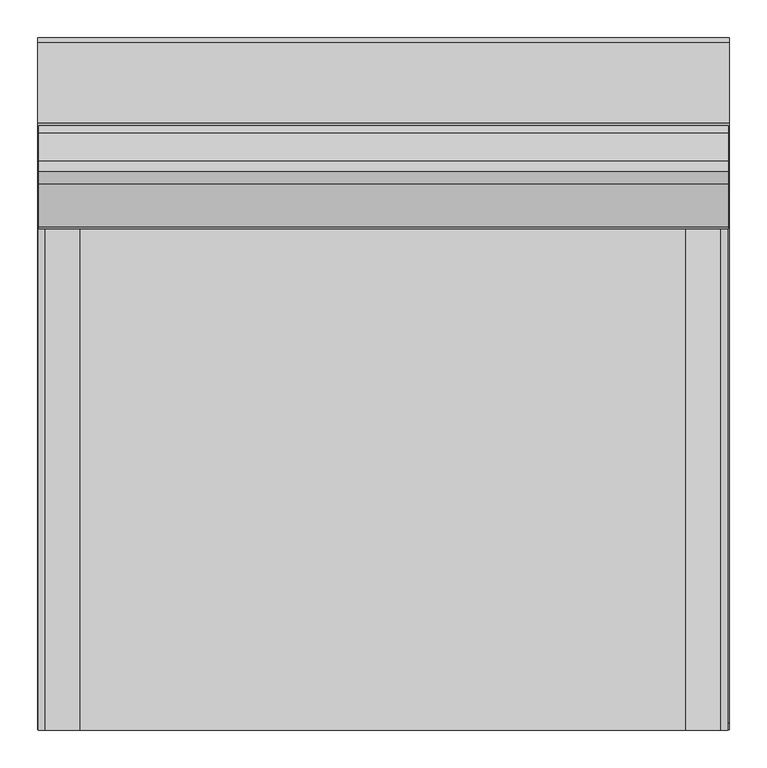
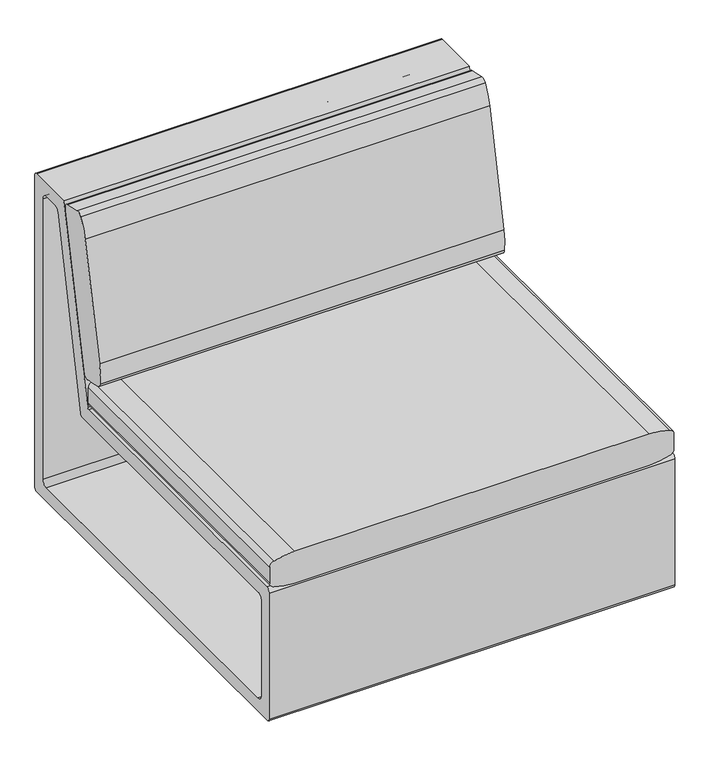
"""IFC4 building model written with IfcOpenShell, lengths in millimetres: furniture geometry."""

from ifc_helpers import new_model, si_unit, point, frame, frame_2d, origin, origin_with_axes, place, context, project, spatial, polyline, circle_curve, trimmed, segment, composite_curve, outline, extrude, source, transform, mapped, element, save


def furniture_042e10c8(model_context):
    return source(origin(), model_context, "Body", "SweptSolid", [
        extrude(outline(composite_curve([segment(polyline([(235.2914577, 417.0346741), (216.287808, 421.1108049)]), True, "CONTINUOUS"), segment(trimmed(circle_curve(frame_2d((218.8946679, 433.264451)), 12.4300777), [point((216.287808, 421.1108049))], [point((206.5294553, 431.9962448))], False, "CARTESIAN"), True, "CONTINUOUS"), segment(trimmed(circle_curve(frame_2d((358.1341723, 447.5451926)), 152.4), [point((206.5294553, 431.9962448))], [point((209.0842447, 479.3237873))], False, "CARTESIAN"), True, "CONTINUOUS"), segment(polyline([(209.0842447, 479.3237873), (265.3910933, 743.4176466)]), True, "CONTINUOUS"), segment(trimmed(circle_curve(frame_2d((414.4410209, 711.6390519)), 152.4), [point((265.3910933, 743.4176466))], [point((282.6105352, 788.10135))], False, "CARTESIAN"), True, "CONTINUOUS"), segment(trimmed(circle_curve(frame_2d((293.3629182, 781.8649176)), 12.4300777), [point((282.6105352, 788.10135))], [point((295.9472763, 794.0233683))], False, "CARTESIAN"), True, "CONTINUOUS"), segment(polyline([(295.9472763, 794.0233683), (333.2147001, 786.1019342)]), True, "CONTINUOUS"), segment(trimmed(circle_curve(frame_2d((330.6303421, 773.9434834)), 12.4300777), [point((333.2147001, 786.1019342))], [point((342.9897183, 775.2673607))], False, "CARTESIAN"), True, "CONTINUOUS"), segment(trimmed(circle_curve(frame_2d((191.4565596, 759.0358541)), 152.4), [point((342.9897183, 775.2673607))], [point((340.545965, 727.4429882))], False, "CARTESIAN"), True, "CONTINUOUS"), segment(polyline([(340.545965, 727.4429882), (284.5681996, 463.2791802)]), True, "CONTINUOUS"), segment(trimmed(circle_curve(frame_2d((135.4787942, 494.8720461)), 152.4), [point((284.5681996, 463.2791802))], [point((267.6522732, 419.004191))], False, "CARTESIAN"), True, "CONTINUOUS"), segment(trimmed(circle_curve(frame_2d((256.8719149, 425.1921394)), 12.4300777), [point((267.6522732, 419.004191))], [point((254.3100675, 413.0289256))], False, "CARTESIAN"), True, "CONTINUOUS"), segment(polyline([(254.3100675, 413.0289256), (235.2914577, 417.0346741)]), True, "CONTINUOUS")], self_intersect=False)), frame((-230.1054732, 0.0, 0.0), z_axis=(1.0, 0.0, 0.0), x_axis=(0.0, 1.0, 0.0)), (0.0, 0.0, 1.0), 917.5750242),
        extrude(outline(composite_curve([segment(trimmed(circle_curve(frame_2d((396.746479, 673.8407713)), 12.7), [point((396.746479, 686.5407713))], [point((408.8813122, 677.5872129))], False, "CARTESIAN"), True, "CONTINUOUS"), segment(trimmed(circle_curve(frame_2d((238.9936482, 625.1370305)), 177.8), [point((408.8813122, 677.5872129))], [point((416.7016841, 630.8548962))], False, "CARTESIAN"), True, "CONTINUOUS"), segment(trimmed(circle_curve(frame_2d((-12112.5507476, 227.7184641)), 12535.7363358), [point((416.7016841, 630.8548962))], [point((416.7016841, -175.4179681))], False, "CARTESIAN"), True, "CONTINUOUS"), segment(trimmed(circle_curve(frame_2d((238.9936482, -169.7001023)), 177.8), [point((416.7016841, -175.4179681))], [point((408.8813122, -222.1502848))], False, "CARTESIAN"), True, "CONTINUOUS"), segment(trimmed(circle_curve(frame_2d((396.746479, -218.4038432)), 12.7), [point((408.8813122, -222.1502848))], [point((396.746479, -231.1038432))], False, "CARTESIAN"), True, "CONTINUOUS"), segment(polyline([(396.746479, -231.1038432), (360.2975302, -231.1038432)]), True, "CONTINUOUS"), segment(trimmed(circle_curve(frame_2d((360.2975302, -218.4038432)), 12.7), [point((360.2975302, -231.1038432))], [point((348.1626971, -222.1502848))], False, "CARTESIAN"), True, "CONTINUOUS"), segment(trimmed(circle_curve(frame_2d((518.050361, -169.7001023)), 177.8), [point((348.1626971, -222.1502848))], [point((340.3423252, -175.4179681))], False, "CARTESIAN"), True, "CONTINUOUS"), segment(trimmed(circle_curve(frame_2d((12869.5947568, 227.7184641)), 12535.7363358), [point((340.3423252, -175.4179681))], [point((340.3423252, 630.8548962))], False, "CARTESIAN"), True, "CONTINUOUS"), segment(trimmed(circle_curve(frame_2d((518.050361, 625.1370305)), 177.8), [point((340.3423252, 630.8548962))], [point((348.1626971, 677.5872129))], False, "CARTESIAN"), True, "CONTINUOUS"), segment(trimmed(circle_curve(frame_2d((360.2975302, 673.8407713)), 12.7), [point((348.1626971, 677.5872129))], [point((360.2975302, 686.5407713))], False, "CARTESIAN"), True, "CONTINUOUS"), segment(polyline([(360.2975302, 686.5407713), (396.746479, 686.5407713)]), True, "CONTINUOUS")], self_intersect=False)), frame((0.0, -460.9236442, 0.0), z_axis=(0.0, 1.0, 0.0), x_axis=(0.0, 0.0, 1.0)), (0.0, 0.0, 1.0), 711.99375),
        extrude(outline(polyline([(-23.0187591, -308.2493524), (-19.8437349, -311.4243494), (-19.8437349, -355.8743524), (-23.0187591, -359.0493494), (-67.4687349, -359.0493494), (-70.6437591, -355.8743524), (-70.6437591, -311.4243494), (-67.4687349, -308.2493524), (-23.0187591, -308.2493524)])), frame((0.0, 0.0, 3.1750001), z_axis=(0.0, 0.0, 1.0), x_axis=(1.0, 0.0, 0.0)), (0.0, 0.0, 1.0), 22.2250007),
        extrude(outline(polyline([(-19.8437349, -305.0743463), (-16.668747, -308.2493524), (-16.668747, -359.0493494), (-19.8437349, -362.2243554), (-70.6437591, -362.2243554), (-73.818747, -359.0493494), (-73.818747, -308.2493524), (-70.6437591, -305.0743463), (-19.8437349, -305.0743463)])), origin_with_axes(), (0.0, 0.0, 1.0), 3.1750001),
        extrude(outline(polyline([(-23.0187591, 358.5006749), (-19.8437349, 355.3256779), (-19.8437349, 310.8756749), (-23.0187591, 307.7006779), (-67.4687349, 307.7006779), (-70.6437591, 310.8756749), (-70.6437591, 355.3256779), (-67.4687349, 358.5006749), (-23.0187591, 358.5006749)])), frame((0.0, 0.0, 3.1750001), z_axis=(0.0, 0.0, 1.0), x_axis=(1.0, 0.0, 0.0)), (0.0, 0.0, 1.0), 22.2250007),
        extrude(outline(polyline([(-19.8437349, 361.6756809), (-16.668747, 358.5006749), (-16.668747, 307.7006779), (-19.8437349, 304.5256718), (-70.6437591, 304.5256718), (-73.818747, 307.7006779), (-73.818747, 358.5006749), (-70.6437591, 361.6756809), (-19.8437349, 361.6756809)])), origin_with_axes(), (0.0, 0.0, 1.0), 3.1750001),
        extrude(outline(polyline([(611.9812258, -308.2493524), (615.15625, -311.4243494), (615.15625, -355.8743524), (611.9812258, -359.0493494), (567.53125, -359.0493494), (564.3562258, -355.8743524), (564.3562258, -311.4243494), (567.53125, -308.2493524), (611.9812258, -308.2493524)])), frame((0.0, 0.0, 3.1750001), z_axis=(0.0, 0.0, 1.0), x_axis=(1.0, 0.0, 0.0)), (0.0, 0.0, 1.0), 22.2250007),
        extrude(outline(polyline([(615.15625, -305.0743463), (618.3312379, -308.2493524), (618.3312379, -359.0493494), (615.15625, -362.2243554), (564.3562258, -362.2243554), (561.1812379, -359.0493494), (561.1812379, -308.2493524), (564.3562258, -305.0743463), (615.15625, -305.0743463)])), origin_with_axes(), (0.0, 0.0, 1.0), 3.1750001),
        extrude(outline(polyline([(611.9812258, 358.5006749), (615.15625, 355.3256779), (615.15625, 310.8756749), (611.9812258, 307.7006779), (567.53125, 307.7006779), (564.3562258, 310.8756749), (564.3562258, 355.3256779), (567.53125, 358.5006749), (611.9812258, 358.5006749)])), frame((0.0, 0.0, 3.1750001), z_axis=(0.0, 0.0, 1.0), x_axis=(1.0, 0.0, 0.0)), (0.0, 0.0, 1.0), 22.2250007),
        extrude(outline(polyline([(615.15625, 361.6756809), (618.3312379, 358.5006749), (618.3312379, 307.7006779), (615.15625, 304.5256718), (564.3562258, 304.5256718), (561.1812379, 307.7006779), (561.1812379, 358.5006749), (564.3562258, 361.6756809), (615.15625, 361.6756809)])), origin_with_axes(), (0.0, 0.0, 1.0), 3.1750001),
        extrude(outline(composite_curve([segment(trimmed(circle_curve(frame_2d((248.4922796, 349.8935536)), 4.8013546), [point((248.4922796, 345.092199))], [point((253.1864451, 348.8846847))], True, "CARTESIAN"), True, "CONTINUOUS"), segment(polyline([(253.1864451, 348.8846847), (347.432053, 787.4), (454.025, 787.4)]), True, "CONTINUOUS"), segment(trimmed(circle_curve(frame_2d((454.025, 781.05)), 6.35), [point((454.025, 787.4))], [point((460.375, 781.05))], False, "CARTESIAN"), True, "CONTINUOUS"), segment(polyline([(460.375, 781.05), (460.375, 30.6404917)]), True, "CONTINUOUS"), segment(trimmed(circle_curve(frame_2d((455.1345091, 30.6404917)), 5.2404909), [point((460.375, 30.6404917))], [point((455.1345091, 25.4000008))], False, "CARTESIAN"), True, "CONTINUOUS"), segment(polyline([(455.1345091, 25.4000008), (-452.6230719, 25.4000008)]), True, "CONTINUOUS"), segment(trimmed(circle_curve(frame_2d((-452.6230719, 33.1519289)), 7.7519281), [point((-452.6230719, 25.4000008))], [point((-460.375, 33.1519289))], False, "CARTESIAN"), True, "CONTINUOUS"), segment(polyline([(-460.375, 33.1519289), (-460.375, 335.5036708)]), True, "CONTINUOUS"), segment(trimmed(circle_curve(frame_2d((-450.7864717, 335.5036708)), 9.5885283), [point((-460.375, 335.5036708))], [point((-450.7864717, 345.092199))], False, "CARTESIAN"), True, "CONTINUOUS"), segment(polyline([(-450.7864717, 345.092199), (248.4922796, 345.092199)]), True, "CONTINUOUS")], self_intersect=False), holes=[composite_curve([segment(polyline([(428.3506765, 69.85), (428.3506765, 742.9500242)]), True, "CONTINUOUS"), segment(trimmed(circle_curve(frame_2d((415.6506765, 742.9500242)), 12.7), [point((428.3506765, 742.9500242))], [point((415.6506765, 755.6500242))], True, "CARTESIAN"), True, "CONTINUOUS"), segment(polyline([(415.6506765, 755.6500242), (382.3013664, 755.6500242)]), True, "CONTINUOUS"), segment(trimmed(circle_curve(frame_2d((382.3013664, 744.2947758)), 11.3552484), [point((382.3013664, 755.6500242))], [point((371.1793097, 746.5842129))], True, "CARTESIAN"), True, "CONTINUOUS"), segment(polyline([(371.1793097, 746.5842129), (282.5627899, 316.0862607)]), True, "CONTINUOUS"), segment(trimmed(circle_curve(frame_2d((276.3431937, 317.3665431)), 6.35), [point((282.5627899, 316.0862607))], [point((276.3419699, 311.0165432))], False, "CARTESIAN"), True, "CONTINUOUS"), segment(polyline([(276.3419699, 311.0165432), (-416.1968395, 311.1500116)]), True, "CONTINUOUS"), segment(trimmed(circle_curve(frame_2d((-416.1992871, 298.4500119)), 12.7), [point((-416.1968395, 311.1500116))], [point((-428.8992871, 298.4500119))], True, "CARTESIAN"), True, "CONTINUOUS"), segment(polyline([(-428.8992871, 298.4500119), (-428.8992871, 69.85)]), True, "CONTINUOUS"), segment(trimmed(circle_curve(frame_2d((-416.1992871, 69.85)), 12.7), [point((-428.8992871, 69.85))], [point((-416.1992871, 57.15))], True, "CARTESIAN"), True, "CONTINUOUS"), segment(polyline([(-416.1992871, 57.15), (415.6506765, 57.15)]), True, "CONTINUOUS"), segment(trimmed(circle_curve(frame_2d((415.6506765, 69.85)), 12.7), [point((415.6506765, 57.15))], [point((428.3506765, 69.85))], True, "CARTESIAN"), True, "CONTINUOUS")], self_intersect=False)]), frame((-231.775, 0.0, 0.0), z_axis=(1.0, 0.0, 0.0), x_axis=(0.0, 1.0, 0.0)), (0.0, 0.0, 1.0), 920.75),
    ])


if __name__ == "__main__":
    model = new_model("IFC4")
    model_context = context("Model", 3, world=origin())
    ifc_project = project(units=[si_unit("LENGTHUNIT", "METRE", prefix="MILLI")], contexts=[model_context])
    site = spatial("IfcSite", under=ifc_project)
    building = spatial("IfcBuilding", under=site)
    placement = place(None, origin())
    furniture_shape = furniture_042e10c8(model_context)
    element("IfcFurniture", 1, at=placement, inside=building, context=model_context, shape_type="MappedRepresentation", body=[
        mapped(furniture_shape, transform((0.0, 0.0, 0.0), x_axis=(1.0, 0.0, 0.0), y_axis=(0.0, 1.0, 0.0), z_axis=(0.0, 0.0, 1.0))),
    ])
    save(model, "model.ifc")
